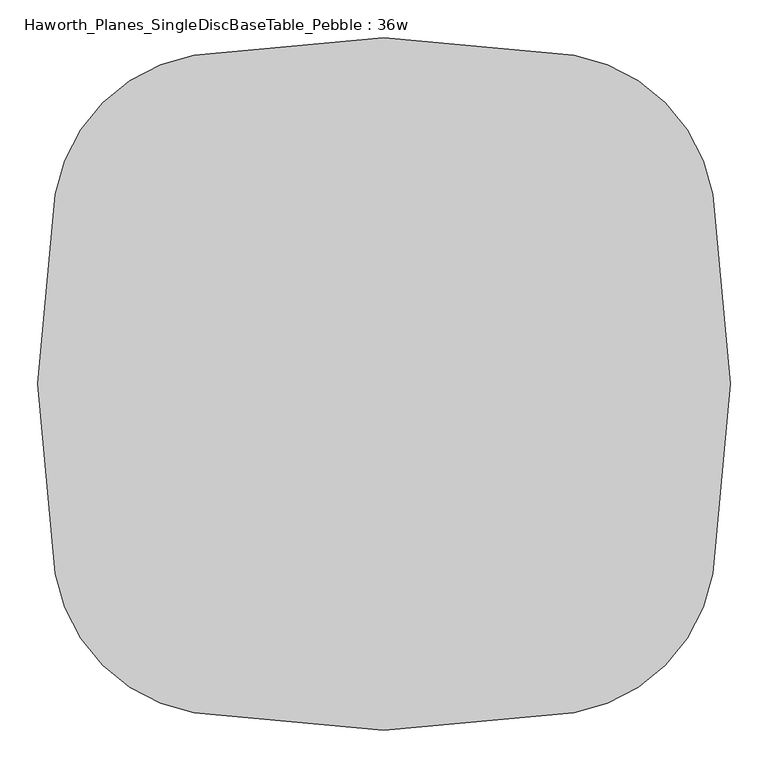
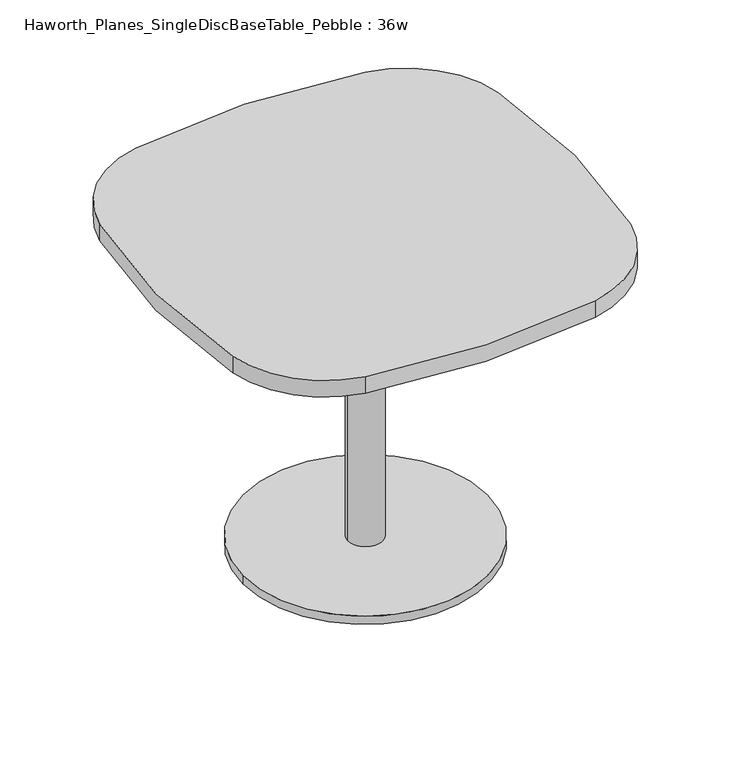
"""IFC4 building model written with IfcOpenShell, lengths in millimetres: furniture geometry, Haworth_Planes_SingleDiscBaseTable_Pebble : 36w."""

from ifc_helpers import new_model, si_unit, point, frame, frame_2d, origin, origin_with_axes, origin_2d, place, context, project, spatial, polyline, circle_curve, trimmed, segment, composite_curve, outline, extrude, source, transform, mapped, element, save


def haworth_planes_singlediscbasetable_pebble_36w_7c66d422(model_context):
    return source(origin(), model_context, "Body", "SweptSolid", [
        extrude(outline(polyline([(136.525, 136.525), (136.525, -136.525), (-136.525, -136.525), (-136.525, 136.525), (136.525, 136.525)])), frame((0.0, 0.0, 692.15), z_axis=(0.0, 0.0, 1.0), x_axis=(1.0, 0.0, 0.0)), (0.0, 0.0, 1.0), 6.35),
        extrude(outline(composite_curve([segment(trimmed(circle_curve(frame_2d((-939.8, 0.0)), 1397.0), [point((434.5292545, 250.6553415))], [point((434.5292545, -250.6553415))], False, "CARTESIAN"), True, "CONTINUOUS"), segment(trimmed(circle_curve(frame_2d((209.6390129, -209.6390129)), 228.6), [point((434.5292545, -250.6553415))], [point((250.6553415, -434.5292545))], False, "CARTESIAN"), True, "CONTINUOUS"), segment(trimmed(circle_curve(frame_2d((0.0, 939.8)), 1397.0), [point((250.6553415, -434.5292545))], [point((-250.6553415, -434.5292545))], False, "CARTESIAN"), True, "CONTINUOUS"), segment(trimmed(circle_curve(frame_2d((-209.6390129, -209.6390129)), 228.6), [point((-250.6553415, -434.5292545))], [point((-434.5292545, -250.6553415))], False, "CARTESIAN"), True, "CONTINUOUS"), segment(trimmed(circle_curve(frame_2d((939.8, 0.0)), 1397.0), [point((-434.5292545, -250.6553415))], [point((-434.5292545, 250.6553415))], False, "CARTESIAN"), True, "CONTINUOUS"), segment(trimmed(circle_curve(frame_2d((-209.6390129, 209.6390129)), 228.6), [point((-434.5292545, 250.6553415))], [point((-250.6553415, 434.5292545))], False, "CARTESIAN"), True, "CONTINUOUS"), segment(trimmed(circle_curve(frame_2d((0.0, -939.8)), 1397.0), [point((-250.6553415, 434.5292545))], [point((250.6553415, 434.5292545))], False, "CARTESIAN"), True, "CONTINUOUS"), segment(trimmed(circle_curve(frame_2d((209.6390129, 209.6390129)), 228.6), [point((250.6553415, 434.5292545))], [point((434.5292545, 250.6553415))], False, "CARTESIAN"), True, "CONTINUOUS")], self_intersect=False)), frame((0.0, 0.0, 698.5), z_axis=(0.0, 0.0, 1.0), x_axis=(1.0, 0.0, 0.0)), (0.0, 0.0, 1.0), 38.1),
        extrude(outline(composite_curve([segment(trimmed(circle_curve(origin_2d(), 266.7), [point((-266.7, 0.0))], [point((266.7, 0.0))], False, "CARTESIAN"), True, "CONTINUOUS"), segment(trimmed(circle_curve(origin_2d(), 266.7), [point((266.7, 0.0))], [point((-266.7, 0.0))], False, "CARTESIAN"), True, "CONTINUOUS")], self_intersect=False)), origin_with_axes(), (0.0, 0.0, 1.0), 19.05),
        extrude(outline(composite_curve([segment(trimmed(circle_curve(origin_2d(), 38.1), [point((-38.1, 0.0))], [point((38.1, 0.0))], False, "CARTESIAN"), True, "CONTINUOUS"), segment(trimmed(circle_curve(origin_2d(), 38.1), [point((38.1, 0.0))], [point((-38.1, 0.0))], False, "CARTESIAN"), True, "CONTINUOUS")], self_intersect=False)), frame((0.0, 0.0, 19.05), z_axis=(0.0, 0.0, 1.0), x_axis=(1.0, 0.0, 0.0)), (0.0, 0.0, 1.0), 679.45),
    ])


if __name__ == "__main__":
    model = new_model("IFC4")
    model_context = context("Model", 3, world=origin())
    ifc_project = project(units=[si_unit("LENGTHUNIT", "METRE", prefix="MILLI")], contexts=[model_context])
    site = spatial("IfcSite", under=ifc_project)
    building = spatial("IfcBuilding", under=site)
    placement = place(None, origin())
    haworth_planes_singlediscbasetable_pebble_36w_shape = haworth_planes_singlediscbasetable_pebble_36w_7c66d422(model_context)
    element("IfcFurniture", 1, ObjectType="Haworth_Planes_SingleDiscBaseTable_Pebble : 36w", at=placement, inside=building, context=model_context, shape_type="MappedRepresentation", body=[
        mapped(haworth_planes_singlediscbasetable_pebble_36w_shape, transform((0.0, 0.0, 0.0), x_axis=(1.0, 0.0, 0.0), y_axis=(0.0, 1.0, 0.0), z_axis=(0.0, 0.0, 1.0))),
    ])
    save(model, "model.ifc")
